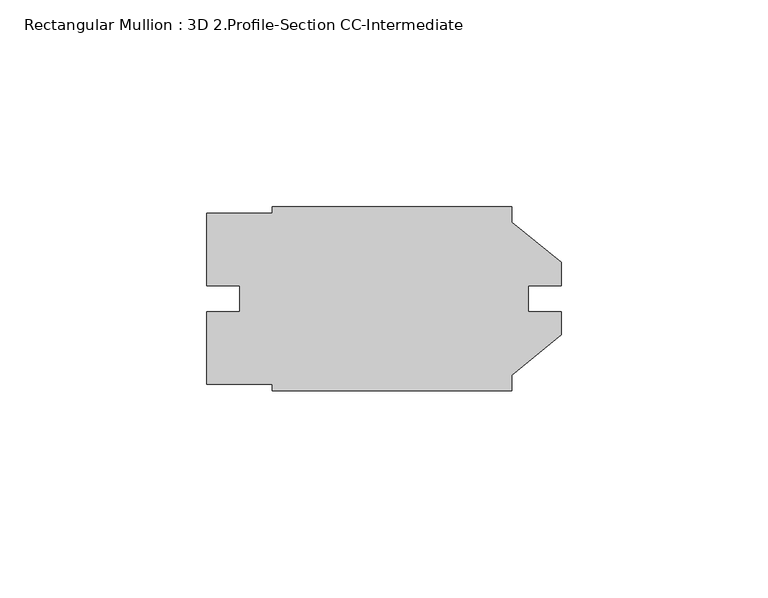
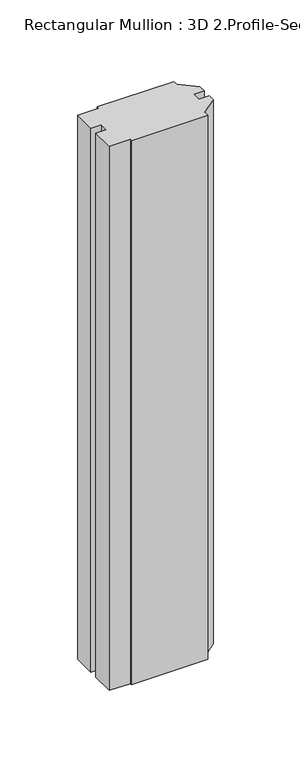
"""IFC4 building model written with IfcOpenShell, lengths in millimetres: member geometry, Rectangular Mullion : 3D 2.Profile-Section CC-Intermediate."""

from ifc_helpers import new_model, si_unit, frame, origin, place, context, project, spatial, polyline, outline, extrude, source, transform, mapped, element, save


def rectangular_mullion_3d_2_profile_section_cc_intermediate_b4241a46(model_context):
    return source(origin(), model_context, "Body", "SweptSolid", [
        extrude(outline(polyline([(-15.078075, 3.1716201), (-15.078075, 20.6341201), (0.796925, 20.6341201), (0.796925, 22.2216201), (58.734325, 22.2216201), (58.734325, 18.5154561), (70.640575, 8.7469201), (70.640575, 3.1716201), (62.696725, 3.1716201), (62.696725, -3.1783799), (70.640575, -3.1783799), (70.640575, -8.7536799), (58.734325, -18.5222159), (58.734325, -22.2283799), (0.796925, -22.2283799), (0.796925, -20.6408799), (-15.078075, -20.6408799), (-15.078075, -3.1783799), (-7.153275, -3.1783799), (-7.153275, 3.1716201), (-15.078075, 3.1716201)])), frame((0.0, 0.0, -435.1820574), z_axis=(0.0, 0.0, 1.0), x_axis=(1.0, 0.0, 0.0)), (0.0, 0.0, 1.0), 435.1820574),
    ])


if __name__ == "__main__":
    model = new_model("IFC4")
    model_context = context("Model", 3, world=origin())
    ifc_project = project(units=[si_unit("LENGTHUNIT", "METRE", prefix="MILLI")], contexts=[model_context])
    site = spatial("IfcSite", under=ifc_project)
    building = spatial("IfcBuilding", under=site)
    placement = place(None, origin())
    rectangular_mullion_3d_2_profile_section_cc_intermediate_shape = rectangular_mullion_3d_2_profile_section_cc_intermediate_b4241a46(model_context)
    element("IfcMember", 1, ObjectType="Rectangular Mullion : 3D 2.Profile-Section CC-Intermediate", at=placement, inside=building, context=model_context, shape_type="MappedRepresentation", body=[
        mapped(rectangular_mullion_3d_2_profile_section_cc_intermediate_shape, transform((0.0, 0.0, 0.0), x_axis=(1.0, 0.0, 0.0), y_axis=(0.0, 1.0, 0.0), z_axis=(0.0, 0.0, 1.0))),
    ])
    save(model, "model.ifc")
